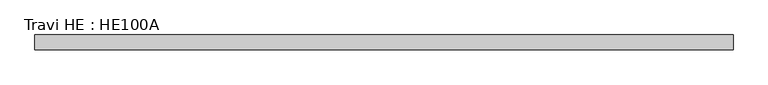
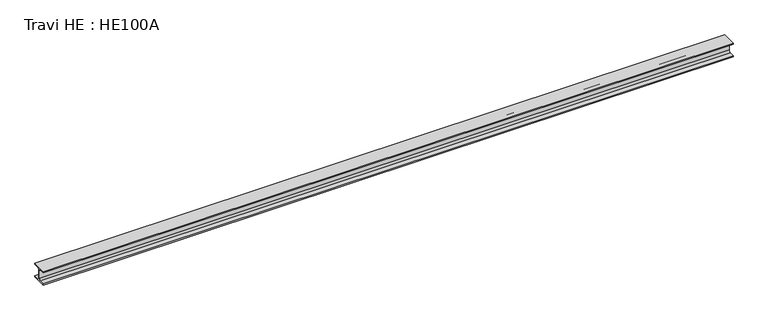
"""IFC4 building model written with IfcOpenShell, lengths in millimetres: beam geometry, Travi HE : HE100A."""

from ifc_helpers import new_model, si_unit, point, frame, frame_2d, origin, place, context, project, spatial, polyline, circle_curve, trimmed, segment, composite_curve, outline, extrude, source, transform, mapped, element, save


def travi_he_he100a_e7ea43f2(model_context):
    return source(origin(), model_context, "Body", "SweptSolid", [
        extrude(outline(composite_curve([segment(polyline([(50.0, -40.0), (50.0, -48.0), (-50.0, -48.0), (-50.0, -40.0), (-14.5, -40.0)]), True, "CONTINUOUS"), segment(trimmed(circle_curve(frame_2d((-14.5, -28.0)), 12.0), [point((-14.5, -40.0))], [point((-2.5, -28.0))], True, "CARTESIAN"), True, "CONTINUOUS"), segment(polyline([(-2.5, -28.0), (-2.5, 28.0)]), True, "CONTINUOUS"), segment(trimmed(circle_curve(frame_2d((-14.5, 28.0)), 12.0), [point((-2.5, 28.0))], [point((-14.5, 40.0))], True, "CARTESIAN"), True, "CONTINUOUS"), segment(polyline([(-14.5, 40.0), (-50.0, 40.0), (-50.0, 48.0), (50.0, 48.0), (50.0, 40.0), (14.5, 40.0)]), True, "CONTINUOUS"), segment(trimmed(circle_curve(frame_2d((14.5, 28.0)), 12.0), [point((14.5, 40.0))], [point((2.5, 28.0))], True, "CARTESIAN"), True, "CONTINUOUS"), segment(polyline([(2.5, 28.0), (2.5, -28.0)]), True, "CONTINUOUS"), segment(trimmed(circle_curve(frame_2d((14.5, -28.0)), 12.0), [point((2.5, -28.0))], [point((14.5, -40.0))], True, "CARTESIAN"), True, "CONTINUOUS"), segment(polyline([(14.5, -40.0), (50.0, -40.0)]), True, "CONTINUOUS")], self_intersect=False)), frame((-2350.0, 0.0, 0.0), z_axis=(1.0, 0.0, 0.0), x_axis=(0.0, 1.0, 0.0)), (0.0, 0.0, 1.0), 4700.0),
    ])


if __name__ == "__main__":
    model = new_model("IFC4")
    model_context = context("Model", 3, world=origin())
    ifc_project = project(units=[si_unit("LENGTHUNIT", "METRE", prefix="MILLI")], contexts=[model_context])
    site = spatial("IfcSite", under=ifc_project)
    building = spatial("IfcBuilding", under=site)
    placement = place(None, origin())
    travi_he_he100a_shape = travi_he_he100a_e7ea43f2(model_context)
    element("IfcBeam", 1, ObjectType="Travi HE : HE100A", at=placement, inside=building, context=model_context, shape_type="MappedRepresentation", body=[
        mapped(travi_he_he100a_shape, transform((0.0, 0.0, 0.0), x_axis=(1.0, 0.0, 0.0), y_axis=(0.0, 1.0, 0.0), z_axis=(0.0, 0.0, 1.0))),
    ])
    save(model, "model.ifc")
